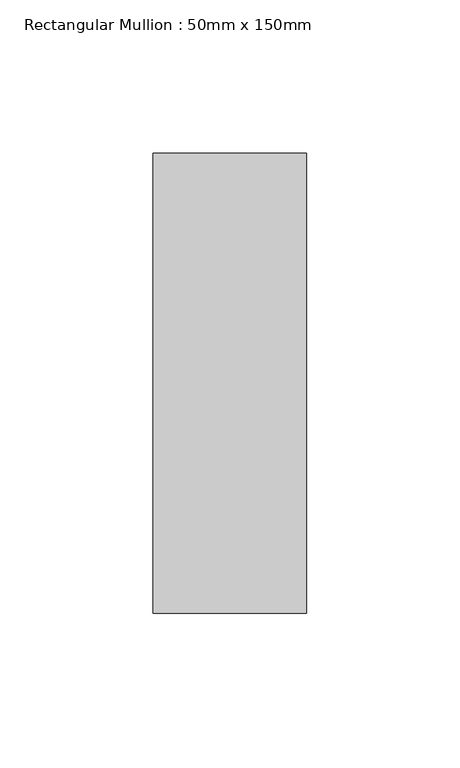
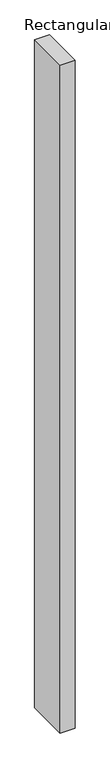
"""IFC4 building model written with IfcOpenShell, lengths in millimetres: member geometry, Rectangular Mullion : 50mm x 150mm."""

from ifc_helpers import new_model, si_unit, frame, origin, place, context, project, spatial, polyline, outline, extrude, source, transform, mapped, element, save


def rectangular_mullion_50mm_x_150mm_662c37b1(model_context):
    return source(origin(), model_context, "Body", "SweptSolid", [
        extrude(outline(polyline([(0.0, 75.0), (0.0, -75.0), (-50.0, -75.0), (-50.0, 75.0), (0.0, 75.0)])), frame((0.0, 0.0, -2400.0), z_axis=(0.0, 0.0, 1.0), x_axis=(1.0, 0.0, 0.0)), (0.0, 0.0, 1.0), 2400.0),
    ])


if __name__ == "__main__":
    model = new_model("IFC4")
    model_context = context("Model", 3, world=origin())
    ifc_project = project(units=[si_unit("LENGTHUNIT", "METRE", prefix="MILLI")], contexts=[model_context])
    site = spatial("IfcSite", under=ifc_project)
    building = spatial("IfcBuilding", under=site)
    placement = place(None, origin())
    rectangular_mullion_50mm_x_150mm_shape = rectangular_mullion_50mm_x_150mm_662c37b1(model_context)
    element("IfcMember", 1, ObjectType="Rectangular Mullion : 50mm x 150mm", at=placement, inside=building, context=model_context, shape_type="MappedRepresentation", body=[
        mapped(rectangular_mullion_50mm_x_150mm_shape, transform((0.0, 0.0, 0.0), x_axis=(1.0, 0.0, 0.0), y_axis=(0.0, 1.0, 0.0), z_axis=(0.0, 0.0, 1.0))),
    ])
    save(model, "model.ifc")
